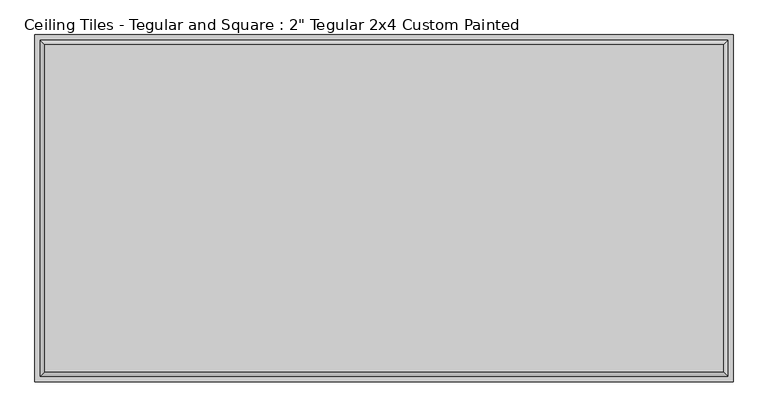
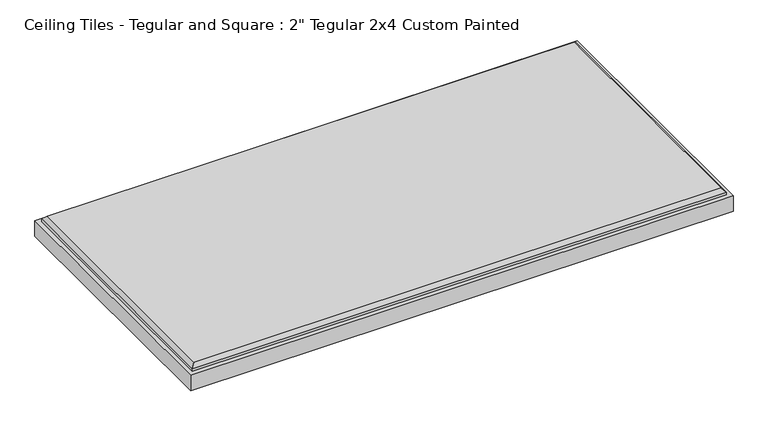
"""IFC4 building model written with IfcOpenShell, lengths in millimetres: proxy geometry."""

from ifc_helpers import new_model, si_unit, origin, place, context, project, spatial, faceted_brep, source, transform, mapped, element, save


def proxy_a77bd47b(model_context):
    return source(origin(), model_context, "Body", "Brep", [
        faceted_brep([(588.899, 284.099, 50.8), (-588.899, 284.099, 50.8), (-588.899, -284.099, 50.8), (588.899, -284.099, 50.8), (-606.425, 301.625, 0.0), (606.425, 301.625, 0.0), (606.425, -301.625, 0.0), (-606.425, -301.625, 0.0), (-606.425, -301.625, 36.5125), (-606.425, 301.625, 36.5125), (606.425, -301.625, 36.5125), (606.425, 301.625, 36.5125), (596.9, 292.1, 42.799), (-596.9, 292.1, 42.799), (-596.9, -292.1, 42.799), (596.9, -292.1, 42.799), (596.9, 292.1, 36.5125), (-596.9, 292.1, 36.5125), (-596.9, -292.1, 36.5125), (596.9, -292.1, 36.5125)], [[[0, 1, 2, 3]], [[4, 5, 6, 7]], [[4, 7, 8, 9]], [[7, 6, 10, 8]], [[6, 5, 11, 10]], [[5, 4, 9, 11]], [[12, 13, 1, 0]], [[1, 13, 14, 2]], [[2, 14, 15, 3]], [[12, 0, 3, 15]], [[16, 17, 13, 12]], [[13, 17, 18, 14]], [[14, 18, 19, 15]], [[16, 12, 15, 19]], [[9, 8, 10, 11], [17, 16, 19, 18]]]),
    ])


if __name__ == "__main__":
    model = new_model("IFC4")
    model_context = context("Model", 3, world=origin())
    ifc_project = project(units=[si_unit("LENGTHUNIT", "METRE", prefix="MILLI")], contexts=[model_context])
    site = spatial("IfcSite", under=ifc_project)
    building = spatial("IfcBuilding", under=site)
    placement = place(None, origin())
    proxy_shape = proxy_a77bd47b(model_context)
    element("IfcBuildingElementProxy", 1, Name="Ceiling Tiles - Tegular and Square : 2\" Tegular 2x4 Custom Painted", ObjectType="Ceiling Tiles - Tegular and Square : 2\" Tegular 2x4 Custom Painted", at=placement, inside=building, context=model_context, shape_type="MappedRepresentation", body=[
        mapped(proxy_shape, transform((0.0, 0.0, 0.0), x_axis=(1.0, 0.0, 0.0), y_axis=(0.0, 1.0, 0.0), z_axis=(0.0, 0.0, 1.0))),
    ])
    save(model, "model.ifc")
